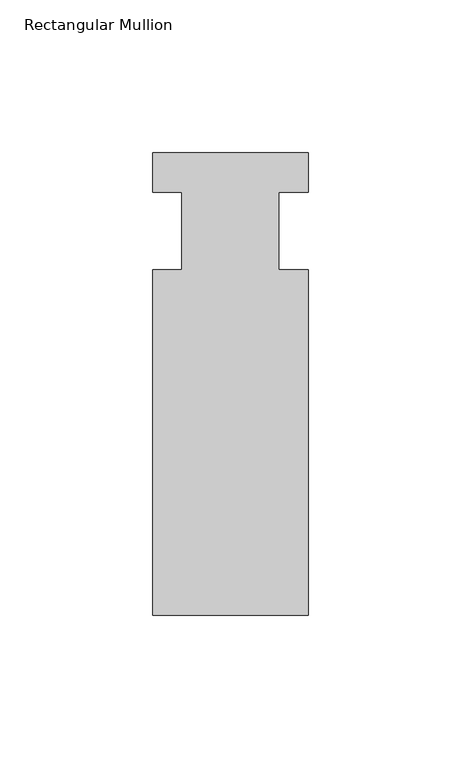
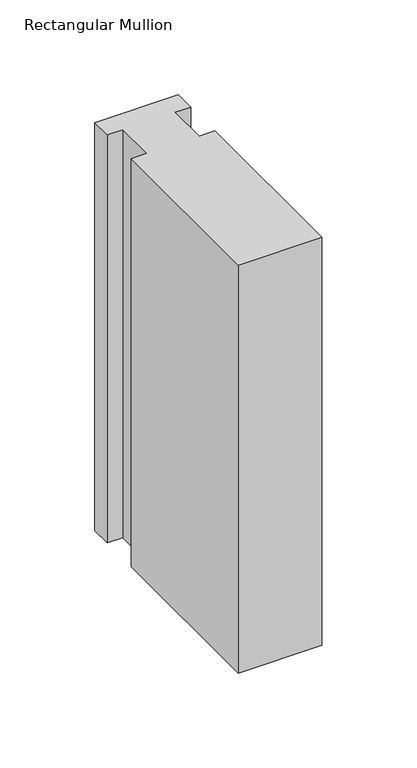
"""IFC4 building model written with IfcOpenShell, lengths in millimetres: member geometry, Rectangular Mullion."""

from ifc_helpers import new_model, si_unit, frame, origin, place, context, project, spatial, polyline, outline, extrude, source, transform, mapped, element, save


def rectangular_mullion_77d7e7ff(model_context):
    return source(origin(), model_context, "Body", "SweptSolid", [
        extrude(outline(polyline([(-25.4, 25.5984375), (25.4, 25.5984375), (25.4, 12.7), (15.875, 12.7), (15.875, -12.7), (25.4, -12.7), (25.4, -125.6109375), (-25.4, -125.6109375), (-25.4, -12.7), (-15.875, -12.7), (-15.875, 12.7), (-25.4, 12.7), (-25.4, 25.5984375)])), frame((0.0, 0.0, -262.4666667), z_axis=(0.0, 0.0, 1.0), x_axis=(1.0, 0.0, 0.0)), (0.0, 0.0, 1.0), 262.4666667),
    ])


if __name__ == "__main__":
    model = new_model("IFC4")
    model_context = context("Model", 3, world=origin())
    ifc_project = project(units=[si_unit("LENGTHUNIT", "METRE", prefix="MILLI")], contexts=[model_context])
    site = spatial("IfcSite", under=ifc_project)
    building = spatial("IfcBuilding", under=site)
    placement = place(None, origin())
    rectangular_mullion_shape = rectangular_mullion_77d7e7ff(model_context)
    element("IfcMember", 1, ObjectType="Rectangular Mullion", at=placement, inside=building, context=model_context, shape_type="MappedRepresentation", body=[
        mapped(rectangular_mullion_shape, transform((0.0, 0.0, 0.0), x_axis=(1.0, 0.0, 0.0), y_axis=(0.0, 1.0, 0.0), z_axis=(0.0, 0.0, 1.0))),
    ])
    save(model, "model.ifc")
